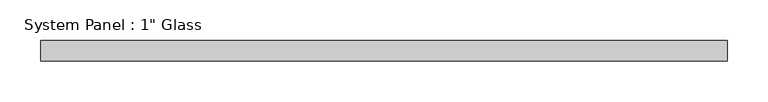
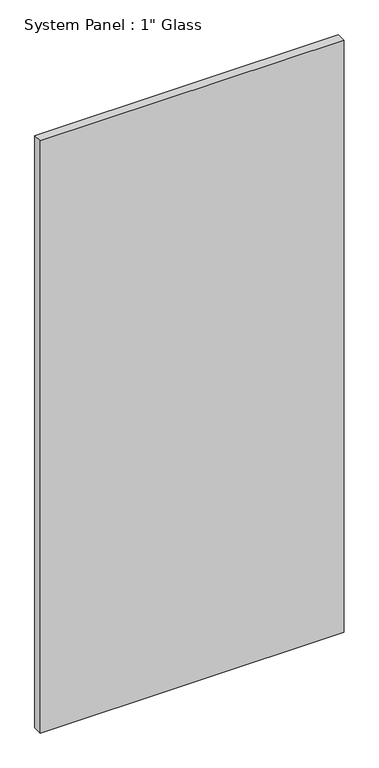
"""IFC4 building model written with IfcOpenShell, lengths in millimetres: plate geometry."""

from ifc_helpers import new_model, si_unit, origin, origin_with_axes, place, context, project, spatial, polyline, outline, extrude, source, transform, mapped, element, save


def plate_b6be7678(model_context):
    return source(origin(), model_context, "Body", "SweptSolid", [
        extrude(outline(polyline([(422.275, -12.7), (-422.275, -12.7), (-422.275, 12.7), (422.275, 12.7), (422.275, -12.7)])), origin_with_axes(), (0.0, 0.0, 1.0), 1739.9),
    ])


if __name__ == "__main__":
    model = new_model("IFC4")
    model_context = context("Model", 3, world=origin())
    ifc_project = project(units=[si_unit("LENGTHUNIT", "METRE", prefix="MILLI")], contexts=[model_context])
    site = spatial("IfcSite", under=ifc_project)
    building = spatial("IfcBuilding", under=site)
    placement = place(None, origin())
    plate_shape = plate_b6be7678(model_context)
    element("IfcPlate", 1, ObjectType="System Panel : 1\" Glass", at=placement, inside=building, context=model_context, shape_type="MappedRepresentation", body=[
        mapped(plate_shape, transform((0.0, 0.0, 0.0), x_axis=(1.0, 0.0, 0.0), y_axis=(0.0, 1.0, 0.0), z_axis=(0.0, 0.0, 1.0))),
    ])
    save(model, "model.ifc")
